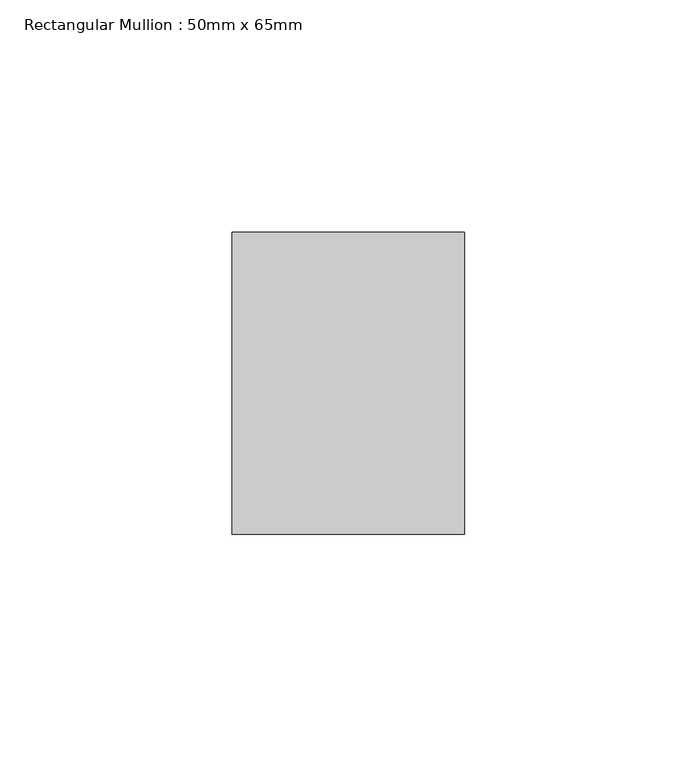
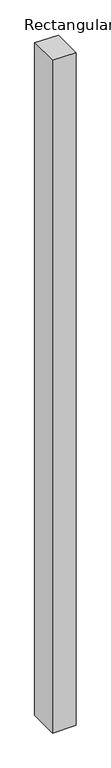
"""IFC4 building model written with IfcOpenShell, lengths in millimetres: member geometry, Rectangular Mullion : 50mm x 65mm."""

from ifc_helpers import new_model, si_unit, origin, place, context, project, spatial, faceted_brep, source, transform, mapped, element, save


def rectangular_mullion_50mm_x_65mm_807701e3(model_context):
    return source(origin(), model_context, "Body", "Brep", [
        faceted_brep([(-25.0, 32.5, -0.1835719), (25.0, 32.5, -0.1835731), (25.0, 32.5, -1499.7334264), (-25.0, 32.5, -1499.7334283), (-25.0, -32.5, 0.1835731), (-25.0, -32.5, -1500.2663246), (25.0, -32.5, 0.1835719), (25.0, -32.5, -1500.2663227)], [[[0, 1, 2, 3]], [[4, 0, 3, 5]], [[6, 4, 5, 7]], [[1, 6, 7, 2]], [[1, 0, 4, 6]], [[2, 7, 5, 3]]]),
    ])


if __name__ == "__main__":
    model = new_model("IFC4")
    model_context = context("Model", 3, world=origin())
    ifc_project = project(units=[si_unit("LENGTHUNIT", "METRE", prefix="MILLI")], contexts=[model_context])
    site = spatial("IfcSite", under=ifc_project)
    building = spatial("IfcBuilding", under=site)
    placement = place(None, origin())
    rectangular_mullion_50mm_x_65mm_shape = rectangular_mullion_50mm_x_65mm_807701e3(model_context)
    element("IfcMember", 1, ObjectType="Rectangular Mullion : 50mm x 65mm", at=placement, inside=building, context=model_context, shape_type="MappedRepresentation", body=[
        mapped(rectangular_mullion_50mm_x_65mm_shape, transform((0.0, 0.0, 0.0), x_axis=(1.0, 0.0, 0.0), y_axis=(0.0, 1.0, 0.0), z_axis=(0.0, 0.0, 1.0))),
    ])
    save(model, "model.ifc")
